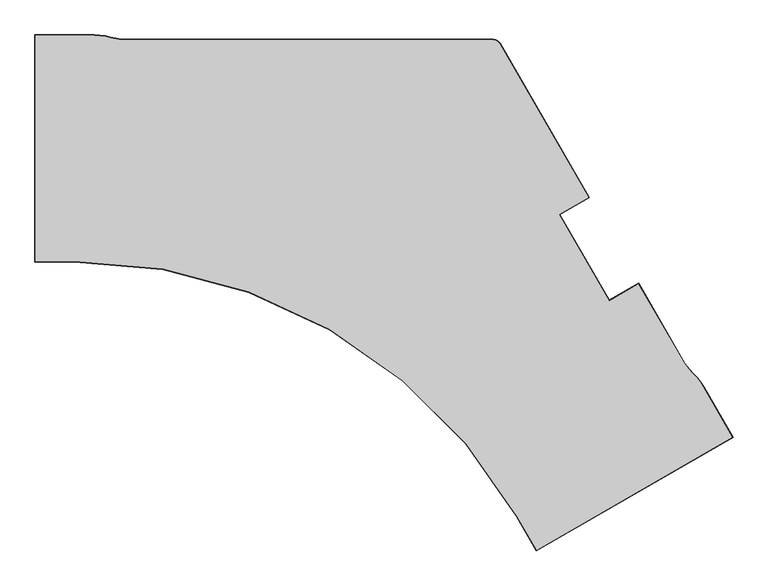
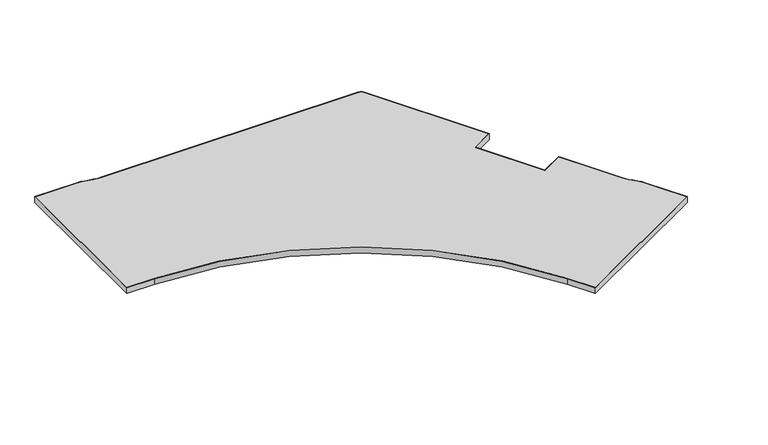
"""IFC4 building model written with IfcOpenShell, lengths in millimetres: furniture geometry."""

import ifcopenshell
import ifcopenshell.guid

model = None  # the IFC model being written
_history = None  # IfcOwnerHistory: only IFC2X3 demands one
_inside = {}  # id of a spatial element -> (the spatial element, [elements in it])
_under = {}  # id of a project, library or spatial element -> (it, [spatial elements below it])
_declared = {}  # id of a project -> (the project, [libraries it declares])
_typed = {}  # id of a type object -> (the type object, [elements of that type])
_made_of = {}  # id of a material, layer set ... -> (it, [elements and type objects made of it])


def new_model(schema):
    """Start an empty IFC model of exactly this schema.

    Asked for "IFC4X3", IfcOpenShell would pick the latest addendum, in which some entities
    have other attributes; the version numbers below select the first issue.
    IFC2X3 requires an IfcOwnerHistory on every rooted entity: one is made here for all.
    """
    global model, _history
    if schema == "IFC4X3":
        model = ifcopenshell.file(schema_version=(4, 3, 0, 0))
    else:
        model = ifcopenshell.file(schema=schema)
    _inside.clear()
    _under.clear()
    _declared.clear()
    _typed.clear()
    _made_of.clear()
    _history = None
    if model.schema == "IFC2X3":
        org = make("IfcOrganization", Name="unknown")
        user = make(
            "IfcPersonAndOrganization",
            ThePerson=make("IfcPerson", FamilyName="unknown"),
            TheOrganization=org,
        )
        app = make(
            "IfcApplication",
            ApplicationDeveloper=org,
            Version="unknown",
            ApplicationFullName="unknown",
            ApplicationIdentifier="unknown",
        )
        _history = make(
            "IfcOwnerHistory",
            OwningUser=user,
            OwningApplication=app,
            ChangeAction="ADDED",
            CreationDate=0,
        )
    return model


def make(cls, **values):
    """One entity of the class cls with the attributes given. An attribute that is None is left unset."""
    return model.create_entity(
        cls, **{name: value for name, value in values.items() if value is not None}
    )


def rooted(cls, **values):
    """An entity with a GlobalId (a new one), such as an element, a storey or a relation."""
    return make(cls, GlobalId=ifcopenshell.guid.new(), OwnerHistory=_history, **values)


def si_unit(unit_type, name, prefix=None):
    """IfcSIUnit, for example si_unit("LENGTHUNIT", "METRE", prefix="MILLI")."""
    return make("IfcSIUnit", UnitType=unit_type, Prefix=prefix, Name=name)


def assignment(units):
    """IfcUnitAssignment: the units of a project."""
    return None if units is None else make("IfcUnitAssignment", Units=units)


def point(xyz):
    """IfcCartesianPoint."""
    return None if xyz is None else make("IfcCartesianPoint", Coordinates=xyz)


def direction(xyz):
    """IfcDirection."""
    return None if xyz is None else make("IfcDirection", DirectionRatios=xyz)


def frame(location, z_axis=None, x_axis=None):
    """IfcAxis2Placement3D, a coordinate frame: its origin and axes. An axis left out is left unset."""
    return make(
        "IfcAxis2Placement3D",
        Location=point(location),
        Axis=direction(z_axis),
        RefDirection=direction(x_axis),
    )


def frame_2d(location, x_axis=None):
    """IfcAxis2Placement2D, a coordinate frame in the plane: its origin and x axis."""
    return make(
        "IfcAxis2Placement2D", Location=point(location), RefDirection=direction(x_axis)
    )


def origin():
    """The frame at (0, 0, 0) with its axes left unset."""
    return frame((0.0, 0.0, 0.0))


def place(relative_to, where):
    """IfcLocalPlacement: puts the frame where relative to a parent placement (None: the world)."""
    return make(
        "IfcLocalPlacement", PlacementRelTo=relative_to, RelativePlacement=where
    )


def context(
    kind, dimensions, precision=None, world=None, true_north=None, identifier=None
):
    """IfcGeometricRepresentationContext, for example the 3D "Model" context."""
    return make(
        "IfcGeometricRepresentationContext",
        ContextIdentifier=identifier,
        ContextType=kind,
        CoordinateSpaceDimension=dimensions,
        Precision=precision,
        WorldCoordinateSystem=world,
        TrueNorth=true_north,
    )


def project(units=None, contexts=None):
    """IfcProject with its units and contexts."""
    return rooted(
        "IfcProject",
        Name="project",
        RepresentationContexts=contexts,
        UnitsInContext=assignment(units),
    )


def spatial(cls, under=None, at=None, **own):
    """A site, building, storey or space (cls), placed at a placement, below another one or the project."""
    s = rooted(cls, ObjectPlacement=at, **own)
    if under is not None:
        _under.setdefault(under.id(), (under, []))[1].append(s)
    return s


def polyline(points):
    """IfcPolyline through the points."""
    return make("IfcPolyline", Points=[point(p) for p in points])


def circle_curve(where, radius):
    """IfcCircle in the frame where."""
    return make("IfcCircle", Position=where, Radius=radius)


def trimmed(basis, trim1, trim2, sense, master):
    """IfcTrimmedCurve: the piece of a basis curve between two trims."""
    return make(
        "IfcTrimmedCurve",
        BasisCurve=basis,
        Trim1=trim1,
        Trim2=trim2,
        SenseAgreement=sense,
        MasterRepresentation=master,
    )


def segment(curve, same_sense, transition):
    """IfcCompositeCurveSegment."""
    return make(
        "IfcCompositeCurveSegment",
        Transition=transition,
        SameSense=same_sense,
        ParentCurve=curve,
    )


def composite_curve(segments, self_intersect=None):
    """IfcCompositeCurve: segments joined end to end."""
    return make("IfcCompositeCurve", Segments=segments, SelfIntersect=self_intersect)


def outline(outer, holes=None, kind="AREA"):
    """IfcArbitraryClosedProfileDef: a profile drawn as a closed curve; with holes, ...WithVoids."""
    if holes is None:
        return make("IfcArbitraryClosedProfileDef", ProfileType=kind, OuterCurve=outer)
    return make(
        "IfcArbitraryProfileDefWithVoids",
        ProfileType=kind,
        OuterCurve=outer,
        InnerCurves=holes,
    )


def extrude(swept, where, along, depth):
    """IfcExtrudedAreaSolid: the profile swept, set in the frame where, extruded along a direction by depth."""
    return make(
        "IfcExtrudedAreaSolid",
        SweptArea=swept,
        Position=where,
        ExtrudedDirection=direction(along),
        Depth=depth,
    )


def shape(context_of_items, identifier, shape_type, items):
    """IfcShapeRepresentation: the items that make up one representation, for example the "Body"."""
    return make(
        "IfcShapeRepresentation",
        ContextOfItems=context_of_items,
        RepresentationIdentifier=identifier,
        RepresentationType=shape_type,
        Items=items,
    )


def source(mapping_origin, context_of_items, identifier, shape_type, items):
    """IfcRepresentationMap: a shape defined once, which mapped items show again and again."""
    return make(
        "IfcRepresentationMap",
        MappingOrigin=mapping_origin,
        MappedRepresentation=shape(context_of_items, identifier, shape_type, items),
    )


def transform(
    local_origin,
    x_axis=None,
    y_axis=None,
    z_axis=None,
    scale=None,
    scale2=None,
    scale3=None,
    uniform=True,
):
    """IfcCartesianTransformationOperator3D, or its non-uniform kind. x_axis, y_axis, z_axis: its Axis1, 2, 3."""
    if uniform:
        return make(
            "IfcCartesianTransformationOperator3D",
            Axis1=direction(x_axis),
            Axis2=direction(y_axis),
            LocalOrigin=point(local_origin),
            Scale=scale,
            Axis3=direction(z_axis),
        )
    return make(
        "IfcCartesianTransformationOperator3DnonUniform",
        Axis1=direction(x_axis),
        Axis2=direction(y_axis),
        LocalOrigin=point(local_origin),
        Scale=scale,
        Axis3=direction(z_axis),
        Scale2=scale2,
        Scale3=scale3,
    )


def mapped(mapping_source, mapping_target):
    """IfcMappedItem: shows the shape of a source again, moved by a transform."""
    return make(
        "IfcMappedItem", MappingSource=mapping_source, MappingTarget=mapping_target
    )


def made_of(thing, what):
    """Note that an element or type object is made of a material, layer set ...; save() writes the relation."""
    if what is not None:
        _made_of.setdefault(what.id(), (what, []))[1].append(thing)
    return thing


def element(
    cls,
    number,
    at=None,
    inside=None,
    cuts=None,
    type_object=None,
    material=None,
    context=None,
    identifier="Body",
    shape_type=None,
    held_by="IfcProductDefinitionShape",
    body=None,
    shapes=None,
    **own,
):
    """One element of the class cls, such as IfcWall. Its Tag is "e" and its number.

    at: its placement. inside: the storey or other place that contains it. cuts: it is an
    opening in that element (IfcRelVoidsElement). A single representation is given by context,
    identifier, shape_type and body (its items); several are given by shapes. held_by: the class
    of the entity that holds the representations. save() writes the other relations.
    """
    e = rooted(cls, Tag="e%d" % number, ObjectPlacement=at, **own)
    if body is not None:
        shapes = [shape(context, identifier, shape_type, body)]
    if shapes is not None:
        e.Representation = make(held_by, Representations=shapes)
    if inside is not None:
        _inside.setdefault(inside.id(), (inside, []))[1].append(e)
    if cuts is not None:
        rooted(
            "IfcRelVoidsElement", RelatingBuildingElement=cuts, RelatedOpeningElement=e
        )
    if type_object is not None:
        _typed.setdefault(type_object.id(), (type_object, []))[1].append(e)
    return made_of(e, material)


def aggregate(whole, parts):
    """IfcRelAggregates: a whole, such as a stair, and the parts it consists of."""
    return rooted("IfcRelAggregates", RelatingObject=whole, RelatedObjects=parts)


def save(model, path):
    """Write the relations noted so far, then the file.

    IfcRelAggregates (storeys below a building ...), IfcRelContainedInSpatialStructure (elements
    in a storey), IfcRelDefinesByType, IfcRelAssociatesMaterial and IfcRelDeclares: one each for
    every whole, place, type object, material and project.
    """
    for whole, parts in _under.values():
        aggregate(whole, parts)
    for where, things in _inside.values():
        rooted(
            "IfcRelContainedInSpatialStructure",
            RelatedElements=things,
            RelatingStructure=where,
        )
    for kind, things in _typed.values():
        rooted("IfcRelDefinesByType", RelatedObjects=things, RelatingType=kind)
    for what, things in _made_of.values():
        rooted("IfcRelAssociatesMaterial", RelatedObjects=things, RelatingMaterial=what)
    for by, libraries in _declared.values():
        rooted("IfcRelDeclares", RelatingContext=by, RelatedDefinitions=libraries)
    model.write(path)


def plane_surface(at):
    """IfcPlane: the flat surface through the origin of the frame at, square to its z axis."""
    return make("IfcPlane", Position=at)


def cylinder_surface(at, radius):
    """IfcCylindricalSurface: all points at the distance radius from the z axis of the frame at."""
    return make("IfcCylindricalSurface", Position=at, Radius=radius)


def revolved_surface(curve, axis_point, axis_direction):
    """IfcSurfaceOfRevolution: the curve turned about the line through axis_point along axis_direction."""
    return make(
        "IfcSurfaceOfRevolution",
        SweptCurve=make("IfcArbitraryOpenProfileDef", ProfileType="CURVE", Curve=curve),
        AxisPosition=make("IfcAxis1Placement", Location=point(axis_point), Axis=direction(axis_direction)),
    )


def advanced_brep(points, edges, surfaces, faces):
    """IfcAdvancedBrep: a solid bounded by faces that lie on surfaces and meet in shared edges.

    An edge is (start, end): straight between two places in points (the first is 0);
    or (start, end, curve); or (start, end, curve, False) where it runs against its curve.
    A face is (place in surfaces, loops), or (place, loops, False) where it looks against
    its surface's normal. A loop lists edges by number (the first is 1), with a minus sign
    where the edge is run from its end to its start. The first loop is the outer one.
    """
    corners = [point(p) for p in points]
    vertices = [make("IfcVertexPoint", VertexGeometry=c) for c in corners]
    made = []
    for start, end, *more in edges:
        made.append(
            make(
                "IfcEdgeCurve",
                EdgeStart=vertices[start],
                EdgeEnd=vertices[end],
                EdgeGeometry=more[0] if more else make("IfcPolyline", Points=[corners[start], corners[end]]),
                SameSense=more[1] if len(more) > 1 else True,
            )
        )
    hull = []
    for where, loops, *sense in faces:
        bounds = []
        for j, loop in enumerate(loops):
            ring = [make("IfcOrientedEdge", EdgeElement=made[abs(k) - 1], Orientation=k > 0) for k in loop]
            bounds.append(
                make(
                    "IfcFaceOuterBound" if j == 0 else "IfcFaceBound",
                    Bound=make("IfcEdgeLoop", EdgeList=ring),
                    Orientation=True,
                )
            )
        hull.append(make("IfcAdvancedFace", Bounds=bounds, FaceSurface=surfaces[where], SameSense=sense[0] if sense else True))
    return make("IfcAdvancedBrep", Outer=make("IfcClosedShell", CfsFaces=hull))


def furniture_d901668f(model_context):
    return source(origin(), model_context, "Body", "SolidModel", [
        advanced_brep(
        [(128.6002, -757.2248121, 723.9), (128.6002, -757.2248121, 695.325), (1.6002, -757.2248121, 695.325), (1.6002, -757.2248121, 723.9), (128.6008793, -758.8250121, 695.325), (128.6008793, -758.8250121, 723.9), (0.0, -758.8250121, 723.9), (0.0, -758.8250121, 695.325), (1.6002, -16.5862005, 695.325), (1.6002, -16.5862005, 723.9), (0.0, -14.9860005, 723.9), (0.0, -14.9860005, 695.325), (193.6379206, -16.5862005, 695.325), (193.6379206, -16.5862005, 723.9), (193.6379206, -14.9860005, 723.9), (193.6379206, -14.9860005, 695.325), (212.0372781, -17.4394882, 695.325), (212.0372781, -17.4394882, 723.9), (212.1114093, -15.8410063, 723.9), (212.1114093, -15.8410063, 695.325), (230.2419301, -19.986884, 695.325), (230.2419301, -19.986884, 723.9), (230.4636872, -18.4021241, 723.9), (230.4636872, -18.4021241, 695.325), (248.2091149, -24.2262729, 695.325), (248.2091149, -24.2262729, 723.9), (248.5765941, -22.6688394, 723.9), (248.5765941, -22.6688394, 695.325), (265.9206384, -28.3043297, 695.325), (265.9206384, -28.3043297, 723.9), (266.2796879, -26.7449313, 723.9), (266.2796879, -26.7449313, 695.325), (283.9958289, -30.7738221, 695.325), (283.9958289, -30.7738221, 723.9), (284.2124412, -29.1883509, 723.9), (284.2124412, -29.1883509, 695.325), (302.1840143, -31.5975991, 695.325), (302.1840143, -31.5975991, 723.9), (302.2564161, -29.9990379, 723.9), (302.2564161, -29.9990379, 695.325), (1501.239652, -31.5975991, 695.325), (1501.239652, -31.5975991, 723.9), (1501.3796511, -29.9973991, 723.9), (1501.3796511, -29.9973991, 695.325), (1509.5112413, -33.0561007, 695.325), (1509.5112413, -33.0561007, 723.9), (1510.0669842, -31.5292074, 723.9), (1510.0669842, -31.5292074, 695.325), (1516.6620317, -37.1846055, 695.325), (1516.6620317, -37.1846055, 723.9), (1517.7064888, -35.9398711, 723.9), (1517.7064888, -35.9398711, 695.325), (1522.0609277, -43.6187795, 695.325), (1522.0609277, -43.6187795, 723.9), (1523.3767425, -42.6974376, 723.9), (1523.3767425, -42.6974376, 695.325), (1813.5462019, -548.4860841, 695.325), (1813.5462019, -548.4860841, 723.9), (1815.7321158, -549.071798, 723.9), (1815.7321158, -549.071798, 695.325), (1717.5511203, -603.9088703, 695.325), (1717.5511203, -603.9088703, 723.9), (1719.7370342, -604.4945842, 723.9), (1719.7370342, -604.4945842, 695.325), (1880.7969326, -886.6589113, 695.325), (1880.7969326, -886.6589113, 723.9), (1881.3826464, -884.4729974, 723.9), (1881.3826464, -884.4729974, 695.325), (1976.7920142, -831.2361251, 695.325), (1976.7920142, -831.2361251, 723.9), (1977.377728, -829.0502112, 723.9), (1977.377728, -829.0502112, 695.325), (2127.6678544, -1092.560746, 695.325), (2127.6678544, -1092.560746, 723.9), (2128.9992657, -1091.666418, 723.9), (2128.9992657, -1091.666418, 695.325), (2142.5724857, -1111.7897835, 695.325), (2142.5724857, -1111.7897835, 723.9), (2143.8372401, -1110.8094589, 723.9), (2143.8372401, -1110.8094589, 695.325), (2154.9599805, -1125.089362, 695.325), (2154.9599805, -1125.089362, 723.9), (2156.130932, -1123.9987142, 723.9), (2156.130932, -1123.9987142, 695.325), (2167.6149322, -1138.529737, 695.325), (2167.6149322, -1138.529737, 723.9), (2168.7799734, -1137.432778, 723.9), (2168.7799734, -1137.432778, 695.325), (2178.9233657, -1153.0217177, 695.325), (2178.9233657, -1153.0217177, 723.9), (2180.1849291, -1152.0372901, 723.9), (2180.1849291, -1152.0372901, 695.325), (2188.862406, -1168.5300591, 695.325), (2188.862406, -1168.5300591, 723.9), (2190.209668, -1167.6666211, 723.9), (2190.209668, -1167.6666211, 695.325), (2284.525275, -1334.2230085, 695.325), (2284.525275, -1334.2230085, 723.9), (2286.7111888, -1334.8087223, 723.9), (2286.7111888, -1334.8087223, 695.325), (1643.1134639, -1704.5422903, 695.325), (1643.1134639, -1704.5422903, 723.9), (1642.52775, -1706.7282041, 723.9), (1642.52775, -1706.7282041, 695.325), (1579.6135016, -1594.5571294, 695.325), (1579.6135016, -1594.5571294, 723.9), (1578.2276878, -1595.3572294, 723.9), (1578.2276878, -1595.3572294, 695.325)],
        [
            (0, 1),
            (1, 2),
            (2, 3),
            (3, 0),
            (4, 5),
            (5, 6),
            (6, 7),
            (7, 4),
            (2, 8),
            (8, 9),
            (9, 3),
            (6, 10),
            (10, 11),
            (11, 7),
            (8, 12),
            (12, 13),
            (13, 9),
            (10, 14),
            (14, 15),
            (15, 11),
            (12, 16),
            (16, 17),
            (17, 13),
            (14, 18),
            (18, 19),
            (19, 15),
            (16, 20),
            (20, 21),
            (21, 17),
            (18, 22),
            (22, 23),
            (23, 19),
            (20, 24),
            (24, 25),
            (25, 21),
            (22, 26),
            (26, 27),
            (27, 23),
            (24, 28),
            (28, 29),
            (29, 25),
            (26, 30),
            (30, 31),
            (31, 27),
            (28, 32),
            (32, 33),
            (33, 29),
            (30, 34),
            (34, 35),
            (35, 31),
            (32, 36),
            (36, 37),
            (37, 33),
            (34, 38),
            (38, 39),
            (39, 35),
            (36, 40),
            (40, 41),
            (41, 37),
            (38, 42),
            (42, 43),
            (43, 39),
            (40, 44),
            (44, 45),
            (45, 41),
            (42, 46),
            (46, 47),
            (47, 43),
            (44, 48),
            (48, 49),
            (49, 45),
            (46, 50),
            (50, 51),
            (51, 47),
            (48, 52),
            (52, 53),
            (53, 49),
            (50, 54),
            (54, 55),
            (55, 51),
            (52, 56),
            (56, 57),
            (57, 53),
            (54, 58),
            (58, 59),
            (59, 55),
            (56, 60),
            (60, 61),
            (61, 57),
            (58, 62),
            (62, 63),
            (63, 59),
            (60, 64),
            (64, 65),
            (65, 61),
            (62, 66),
            (66, 67),
            (67, 63),
            (64, 68),
            (68, 69),
            (69, 65),
            (66, 70),
            (70, 71),
            (71, 67),
            (68, 72),
            (72, 73),
            (73, 69),
            (70, 74),
            (74, 75),
            (75, 71),
            (72, 76),
            (76, 77),
            (77, 73),
            (74, 78),
            (78, 79),
            (79, 75),
            (76, 80),
            (80, 81),
            (81, 77),
            (78, 82),
            (82, 83),
            (83, 79),
            (80, 84),
            (84, 85),
            (85, 81),
            (82, 86),
            (86, 87),
            (87, 83),
            (84, 88),
            (88, 89),
            (89, 85),
            (86, 90),
            (90, 91),
            (91, 87),
            (88, 92),
            (92, 93),
            (93, 89),
            (90, 94),
            (94, 95),
            (95, 91),
            (92, 96),
            (96, 97),
            (97, 93),
            (94, 98),
            (98, 99),
            (99, 95),
            (96, 100),
            (100, 101),
            (101, 97),
            (98, 102),
            (102, 103),
            (103, 99),
            (100, 104),
            (104, 105),
            (105, 101),
            (102, 106),
            (106, 107),
            (107, 103),
            (0, 105, circle_curve(frame((129.3111238, -2431.8895977, 723.9), z_axis=(0.0, 0.0, -1.0), x_axis=(0.8660254037844397, 0.4999999999999981, 0.0)), 1674.6649365)),
            (104, 1, circle_curve(frame((129.3111238, -2431.8895977, 695.325), z_axis=(0.0, 0.0, 1.0), x_axis=(0.8660254037844397, 0.4999999999999981, 0.0)), 1674.6649365)),
            (5, 106, circle_curve(frame((129.3111238, -2431.8895977, 723.9), z_axis=(0.0, 0.0, -1.0), x_axis=(0.8660254037844397, 0.4999999999999981, 0.0)), 1673.0647365)),
            (4, 107, circle_curve(frame((129.3111238, -2431.8895977, 695.325), z_axis=(0.0, 0.0, -1.0), x_axis=(0.8660254037844397, 0.4999999999999981, 0.0)), 1673.0647365)),
        ],
        [
            plane_surface(frame((128.6002, -757.2248121, 695.325), z_axis=(0.0, 1.0, 0.0), x_axis=(-1.0, 0.0, 0.0))),
            plane_surface(frame((128.6008793, -758.8250121, 723.9), z_axis=(0.0, -1.0, 0.0), x_axis=(-1.0, 0.0, 0.0))),
            plane_surface(frame((1.6002, -757.2248121, 695.325), z_axis=(1.0, 0.0, 0.0), x_axis=(0.0, 1.0, 0.0))),
            plane_surface(frame((0.0, -758.8250121, 723.9), z_axis=(-1.0, 0.0, 0.0), x_axis=(0.0, 1.0, 0.0))),
            plane_surface(frame((1.6002, -16.5862005, 695.325), z_axis=(0.0, -1.0, 0.0), x_axis=(1.0, 0.0, 0.0))),
            plane_surface(frame((0.0, -14.9860005, 723.9), z_axis=(0.0, 1.0, 0.0), x_axis=(1.0, 0.0, 0.0))),
            plane_surface(frame((193.6379206, -16.5862005, 695.325), z_axis=(-0.046326163474759444, -0.9989263669448865, 0.0), x_axis=(0.9989263669448865, -0.046326163474759444, 0.0))),
            plane_surface(frame((193.6379206, -14.9842806, 723.9), z_axis=(0.04632616347475908, 0.9989263669448865, 0.0), x_axis=(0.9989263669448865, -0.04632616347475908, 0.0))),
            plane_surface(frame((212.0372781, -17.4394882, 695.325), z_axis=(-0.13858085665649983, -0.9903511226672844, 0.0), x_axis=(0.9903511226672844, -0.13858085665649983, 0.0))),
            plane_surface(frame((212.1117288, -15.8341156, 723.9), z_axis=(0.1385808566565002, 0.9903511226672844, 0.0), x_axis=(0.9903511226672844, -0.1385808566565002, 0.0))),
            plane_surface(frame((230.2419301, -19.986884, 695.325), z_axis=(-0.2296457813887917, -0.9732742753665748, 0.0), x_axis=(0.9732742753665748, -0.2296457813887917, 0.0))),
            plane_surface(frame((230.4646431, -18.3952927, 723.9), z_axis=(0.22964578138879177, 0.9732742753665748, 0.0), x_axis=(0.9732742753665748, -0.22964578138879177, 0.0))),
            plane_surface(frame((248.2091149, -24.2262729, 695.325), z_axis=(-0.22437794644847492, -0.9745021996627639, 0.0), x_axis=(0.9745021996627639, -0.22437794644847492, 0.0))),
            plane_surface(frame((248.5765994, -22.6688167, 723.9), z_axis=(0.22437794644847528, 0.9745021996627639, 0.0), x_axis=(0.9745021996627639, -0.22437794644847528, 0.0))),
            plane_surface(frame((265.9206384, -28.3043297, 695.325), z_axis=(-0.13536579223037595, -0.9907956914994346, 0.0), x_axis=(0.9907956914994346, -0.13536579223037595, 0.0))),
            plane_surface(frame((266.2811641, -26.7385203, 723.9), z_axis=(0.13536579223037562, 0.9907956914994347, 0.0), x_axis=(0.9907956914994347, -0.13536579223037562, 0.0))),
            plane_surface(frame((283.9958289, -30.7738221, 695.325), z_axis=(-0.045245488602407416, -0.998975898488612, 0.0), x_axis=(0.998975898488612, -0.045245488602407416, 0.0))),
            plane_surface(frame((284.2133317, -29.1818328, 723.9), z_axis=(0.04524548860240741, 0.9989758984886119, 0.0), x_axis=(0.9989758984886119, -0.04524548860240741, 0.0))),
            plane_surface(frame((302.1840143, -31.5975991, 695.325), z_axis=(0.0, -1.0, 0.0), x_axis=(1.0, 0.0, 0.0))),
            plane_surface(frame((302.2564904, -29.9973991, 723.9), z_axis=(0.0, 1.0, 0.0), x_axis=(1.0, 0.0, 0.0))),
            plane_surface(frame((1501.239652, -31.5975991, 695.325), z_axis=(-0.17364785681572897, -0.9848078095868777, 0.0), x_axis=(0.9848078095868777, -0.17364785681572897, 0.0))),
            plane_surface(frame((1501.3796511, -29.9973991, 723.9), z_axis=(0.17364785681572553, 0.9848078095868784, 0.0), x_axis=(0.9848078095868784, -0.17364785681572553, 0.0))),
            plane_surface(frame((1509.5112413, -33.0561007, 695.325), z_axis=(-0.499999463096915, -0.8660257137653575, 0.0), x_axis=(0.8660257137653575, -0.499999463096915, 0.0))),
            plane_surface(frame((1510.0669842, -31.5292074, 723.9), z_axis=(0.4999994630968823, 0.8660257137653763, 0.0), x_axis=(0.8660257137653763, -0.4999994630968823, 0.0))),
            plane_surface(frame((1516.6620317, -37.1846055, 695.325), z_axis=(-0.7660454384765861, -0.6427864234636688, 0.0), x_axis=(0.6427864234636688, -0.7660454384765861, 0.0))),
            plane_surface(frame((1517.7064888, -35.9398711, 723.9), z_axis=(0.766045438476611, 0.6427864234636392, 0.0), x_axis=(0.6427864234636392, -0.766045438476611, 0.0))),
            plane_surface(frame((1522.0609277, -43.6187795, 695.325), z_axis=(-0.8660254037844412, -0.4999999999999958, 0.0), x_axis=(0.4999999999999958, -0.8660254037844412, 0.0))),
            plane_surface(frame((1523.3767425, -42.6974376, 723.9), z_axis=(0.8660254037844413, 0.49999999999999545, 0.0), x_axis=(0.49999999999999545, -0.8660254037844413, 0.0))),
            plane_surface(frame((1813.5462019, -548.4860841, 695.325), z_axis=(-0.49999999999999606, 0.8660254037844409, 0.0), x_axis=(-0.8660254037844409, -0.49999999999999606, 0.0))),
            plane_surface(frame((1815.7321158, -549.071798, 723.9), z_axis=(0.49999999999999606, -0.8660254037844409, 0.0), x_axis=(-0.8660254037844409, -0.49999999999999606, 0.0))),
            plane_surface(frame((1717.5511203, -603.9088703, 695.325), z_axis=(-0.8660254037844409, -0.49999999999999595, 0.0), x_axis=(0.49999999999999595, -0.8660254037844409, 0.0))),
            plane_surface(frame((1719.7370342, -604.4945842, 723.9), z_axis=(0.8660254037844408, 0.4999999999999962, 0.0), x_axis=(0.4999999999999962, -0.8660254037844408, 0.0))),
            plane_surface(frame((1880.7969326, -886.6589113, 695.325), z_axis=(0.49999999999999606, -0.8660254037844409, 0.0), x_axis=(0.8660254037844409, 0.49999999999999606, 0.0))),
            plane_surface(frame((1881.3826464, -884.4729974, 723.9), z_axis=(-0.49999999999999606, 0.8660254037844409, 0.0), x_axis=(0.8660254037844409, 0.49999999999999606, 0.0))),
            plane_surface(frame((1976.7920142, -831.2361251, 695.325), z_axis=(-0.8660254037844415, -0.4999999999999951, 0.0), x_axis=(0.4999999999999951, -0.8660254037844415, 0.0))),
            plane_surface(frame((1977.377728, -829.0502112, 723.9), z_axis=(0.8660254037844413, 0.49999999999999567, 0.0), x_axis=(0.49999999999999567, -0.8660254037844413, 0.0))),
            plane_surface(frame((2127.6678544, -1092.560746, 695.325), z_axis=(-0.7903727161166707, -0.6126262887098111, 0.0), x_axis=(0.6126262887098111, -0.7903727161166707, 0.0))),
            plane_surface(frame((2128.9992657, -1091.666418, 723.9), z_axis=(0.790372716116669, 0.6126262887098133, 0.0), x_axis=(0.6126262887098133, -0.790372716116669, 0.0))),
            plane_surface(frame((2142.5724857, -1111.7897835, 695.325), z_axis=(-0.7317532279981179, -0.6815696687165109, 0.0), x_axis=(0.6815696687165109, -0.7317532279981179, 0.0))),
            plane_surface(frame((2143.8424402, -1110.8054283, 723.9), z_axis=(0.731753227998115, 0.6815696687165139, 0.0), x_axis=(0.6815696687165139, -0.731753227998115, 0.0))),
            plane_surface(frame((2154.9599805, -1125.089362, 695.325), z_axis=(-0.7280597475915024, -0.6855136788839431, 0.0), x_axis=(0.6855136788839431, -0.7280597475915024, 0.0))),
            plane_surface(frame((2156.1309491, -1123.9986983, 723.9), z_axis=(0.7280597475915049, 0.6855136788839404, 0.0), x_axis=(0.6855136788839404, -0.7280597475915049, 0.0))),
            plane_surface(frame((2167.6149322, -1138.529737, 695.325), z_axis=(-0.7883785954817157, -0.6151903690617053, 0.0), x_axis=(0.6151903690617053, -0.7883785954817157, 0.0))),
            plane_surface(frame((2168.7849951, -1137.4280497, 723.9), z_axis=(0.7883785954817149, 0.6151903690617064, 0.0), x_axis=(0.6151903690617064, -0.7883785954817149, 0.0))),
            plane_surface(frame((2178.9233657, -1153.0217177, 695.325), z_axis=(-0.8419335006784143, -0.5395813010431242, 0.0), x_axis=(0.5395813010431242, -0.8419335006784143, 0.0))),
            plane_surface(frame((2180.1903676, -1152.0330463, 723.9), z_axis=(0.8419335006784187, 0.5395813010431173, 0.0), x_axis=(0.5395813010431173, -0.8419335006784187, 0.0))),
            plane_surface(frame((2188.862406, -1168.5300591, 695.325), z_axis=(-0.8660254037844415, -0.4999999999999951, 0.0), x_axis=(0.4999999999999951, -0.8660254037844415, 0.0))),
            plane_surface(frame((2190.2111159, -1167.6656931, 723.9), z_axis=(0.8660254037844414, 0.49999999999999534, 0.0), x_axis=(0.49999999999999534, -0.8660254037844414, 0.0))),
            plane_surface(frame((2284.525275, -1334.2230085, 695.325), z_axis=(-0.49999999999999634, 0.8660254037844408, 0.0), x_axis=(-0.8660254037844408, -0.49999999999999634, 0.0))),
            plane_surface(frame((2286.7111888, -1334.8087223, 723.9), z_axis=(0.49999999999999617, -0.8660254037844408, 0.0), x_axis=(-0.8660254037844408, -0.49999999999999617, 0.0))),
            plane_surface(frame((1643.1134639, -1704.5422903, 695.325), z_axis=(0.8660254037844397, 0.49999999999999833, 0.0), x_axis=(-0.49999999999999833, 0.8660254037844397, 0.0))),
            plane_surface(frame((1642.52775, -1706.7282041, 723.9), z_axis=(-0.8660254037844408, -0.49999999999999634, 0.0), x_axis=(-0.49999999999999634, 0.8660254037844408, 0.0))),
            cylinder_surface(frame((129.3111238, -2431.8895977, 723.9), z_axis=(0.0, 0.0, 1.0), x_axis=(0.8660254037844397, 0.4999999999999981, 0.0)), 1674.6649365),
            plane_surface(frame((129.3111238, -2431.8895977, 723.9), z_axis=(0.0, 0.0, 1.0), x_axis=(0.8660254037844397, 0.4999999999999981, 0.0))),
            revolved_surface(polyline([(1578.2276877849197, -1595.3572294500034, 723.9), (1578.2276877849197, -1595.3572294500034, 695.325)]), (129.3111238, -2431.8895977, 723.9), (0.0, 0.0, 1.0)),
            plane_surface(frame((129.3111238, -2431.8895977, 695.325), z_axis=(0.0, 0.0, -1.0), x_axis=(0.8660254037844397, 0.4999999999999981, 0.0))),
        ],
        [
            (0, [[1, 2, 3, 4]]),
            (1, [[5, 6, 7, 8]]),
            (2, [[-3, 9, 10, 11]]),
            (3, [[-7, 12, 13, 14]]),
            (4, [[-10, 15, 16, 17]]),
            (5, [[-13, 18, 19, 20]]),
            (6, [[-16, 21, 22, 23]]),
            (7, [[-19, 24, 25, 26]]),
            (8, [[-22, 27, 28, 29]]),
            (9, [[-25, 30, 31, 32]]),
            (10, [[-28, 33, 34, 35]]),
            (11, [[-31, 36, 37, 38]]),
            (12, [[-34, 39, 40, 41]]),
            (13, [[-37, 42, 43, 44]]),
            (14, [[-40, 45, 46, 47]]),
            (15, [[-43, 48, 49, 50]]),
            (16, [[-46, 51, 52, 53]]),
            (17, [[-49, 54, 55, 56]]),
            (18, [[-52, 57, 58, 59]]),
            (19, [[-55, 60, 61, 62]]),
            (20, [[-58, 63, 64, 65]]),
            (21, [[-61, 66, 67, 68]]),
            (22, [[-64, 69, 70, 71]]),
            (23, [[-67, 72, 73, 74]]),
            (24, [[-70, 75, 76, 77]]),
            (25, [[-73, 78, 79, 80]]),
            (26, [[-76, 81, 82, 83]]),
            (27, [[-79, 84, 85, 86]]),
            (28, [[-82, 87, 88, 89]]),
            (29, [[-85, 90, 91, 92]]),
            (30, [[-88, 93, 94, 95]]),
            (31, [[-91, 96, 97, 98]]),
            (32, [[-94, 99, 100, 101]]),
            (33, [[-97, 102, 103, 104]]),
            (34, [[-100, 105, 106, 107]]),
            (35, [[-103, 108, 109, 110]]),
            (36, [[-106, 111, 112, 113]]),
            (37, [[-109, 114, 115, 116]]),
            (38, [[-112, 117, 118, 119]]),
            (39, [[-115, 120, 121, 122]]),
            (40, [[-118, 123, 124, 125]]),
            (41, [[-121, 126, 127, 128]]),
            (42, [[-124, 129, 130, 131]]),
            (43, [[-127, 132, 133, 134]]),
            (44, [[-130, 135, 136, 137]]),
            (45, [[-133, 138, 139, 140]]),
            (46, [[-136, 141, 142, 143]]),
            (47, [[-139, 144, 145, 146]]),
            (48, [[-142, 147, 148, 149]]),
            (49, [[-145, 150, 151, 152]]),
            (50, [[-148, 153, 154, 155]]),
            (51, [[-151, 156, 157, 158]]),
            (52, [[159, -154, 160, -1]]),
            (53, [[161, -156, -150, -144, -138, -132, -126, -120, -114, -108, -102, -96, -90, -84, -78, -72, -66, -60, -54, -48, -42, -36, -30, -24, -18, -12, -6], [-149, -155, -159, -4, -11, -17, -23, -29, -35, -41, -47, -53, -59, -65, -71, -77, -83, -89, -95, -101, -107, -113, -119, -125, -131, -137, -143]]),
            (54, [[162, -157, -161, -5]]),
            (55, [[-152, -158, -162, -8, -14, -20, -26, -32, -38, -44, -50, -56, -62, -68, -74, -80, -86, -92, -98, -104, -110, -116, -122, -128, -134, -140, -146], [-160, -153, -147, -141, -135, -129, -123, -117, -111, -105, -99, -93, -87, -81, -75, -69, -63, -57, -51, -45, -39, -33, -27, -21, -15, -9, -2]]),
        ],
    ),
        extrude(outline(composite_curve([segment(polyline([(1.6002, -757.2248121), (1.6002, -16.5862005), (193.6379206, -16.5862005), (212.0372781, -17.4394882), (230.2419301, -19.986884), (248.2091149, -24.2262729), (265.9206384, -28.3043297), (283.9958289, -30.7738221), (302.1840143, -31.5975991), (601.0021508, -31.5975991), (1501.239652, -31.5975991), (1509.5112413, -33.0561007), (1516.6620317, -37.1846055), (1522.0609277, -43.6187795), (1813.5462019, -548.4860841), (1717.5511203, -603.9088703), (1880.7969326, -886.6589113), (1976.7920142, -831.2361251), (2127.6678544, -1092.560746), (2142.5724857, -1111.7897835), (2154.9599805, -1125.089362), (2167.6149322, -1138.529737), (2178.9233657, -1153.0217177), (2188.862406, -1168.5300591), (2284.525275, -1334.2230085), (1643.1134639, -1704.5422903), (1579.6134639, -1594.557064)]), True, "CONTINUOUS"), segment(trimmed(circle_curve(frame_2d((129.3111238, -2431.8895977)), 1674.6649365), [point((1579.6134639, -1594.557064))], [point((128.6002, -757.2248121))], True, "CARTESIAN"), True, "CONTINUOUS"), segment(polyline([(128.6002, -757.2248121), (1.6002, -757.2248121)]), True, "CONTINUOUS")], self_intersect=False)), frame((0.0, 0.0, 695.325), z_axis=(0.0, 0.0, 1.0), x_axis=(1.0, 0.0, 0.0)), (0.0, 0.0, 1.0), 28.575),
    ])


if __name__ == "__main__":
    model = new_model("IFC4")
    model_context = context("Model", 3, world=origin())
    ifc_project = project(units=[si_unit("LENGTHUNIT", "METRE", prefix="MILLI")], contexts=[model_context])
    site = spatial("IfcSite", under=ifc_project)
    building = spatial("IfcBuilding", under=site)
    placement = place(None, origin())
    furniture_shape = furniture_d901668f(model_context)
    element("IfcFurniture", 1, at=placement, inside=building, context=model_context, shape_type="MappedRepresentation", body=[
        mapped(furniture_shape, transform((0.0, 0.0, 0.0), x_axis=(1.0, 0.0, 0.0), y_axis=(0.0, 1.0, 0.0), z_axis=(0.0, 0.0, 1.0))),
    ])
    save(model, "model.ifc")
